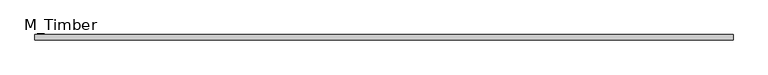
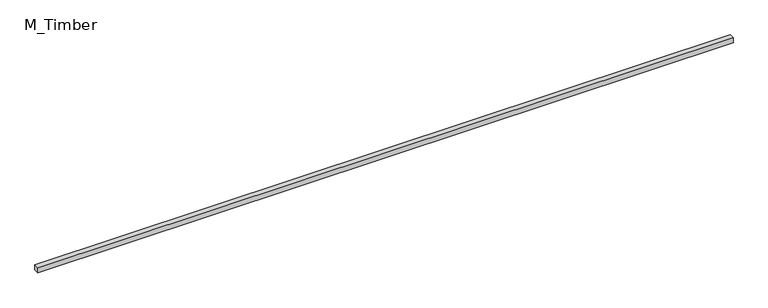
"""IFC4 building model written with IfcOpenShell, lengths in millimetres: beam geometry, M_Timber."""

from ifc_helpers import new_model, si_unit, frame, origin, place, context, project, spatial, polyline, outline, extrude, source, transform, mapped, element, save


def m_timber_f9f3f88e(model_context):
    return source(origin(), model_context, "Body", "SweptSolid", [
        extrude(outline(polyline([(2632.2697279, 20.0), (2632.2697279, -20.0), (-2632.2697279, -20.0), (-2632.2697279, 20.0), (2632.2697279, 20.0)])), frame((0.0, 0.0, -20.0), z_axis=(0.0, 0.0, 1.0), x_axis=(1.0, 0.0, 0.0)), (0.0, 0.0, 1.0), 40.0),
    ])


if __name__ == "__main__":
    model = new_model("IFC4")
    model_context = context("Model", 3, world=origin())
    ifc_project = project(units=[si_unit("LENGTHUNIT", "METRE", prefix="MILLI")], contexts=[model_context])
    site = spatial("IfcSite", under=ifc_project)
    building = spatial("IfcBuilding", under=site)
    placement = place(None, origin())
    m_timber_shape = m_timber_f9f3f88e(model_context)
    element("IfcBeam", 1, ObjectType="M_Timber", at=placement, inside=building, context=model_context, shape_type="MappedRepresentation", body=[
        mapped(m_timber_shape, transform((0.0, 0.0, 0.0), x_axis=(1.0, 0.0, 0.0), y_axis=(0.0, 1.0, 0.0), z_axis=(0.0, 0.0, 1.0))),
    ])
    save(model, "model.ifc")
